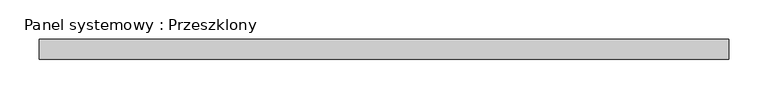
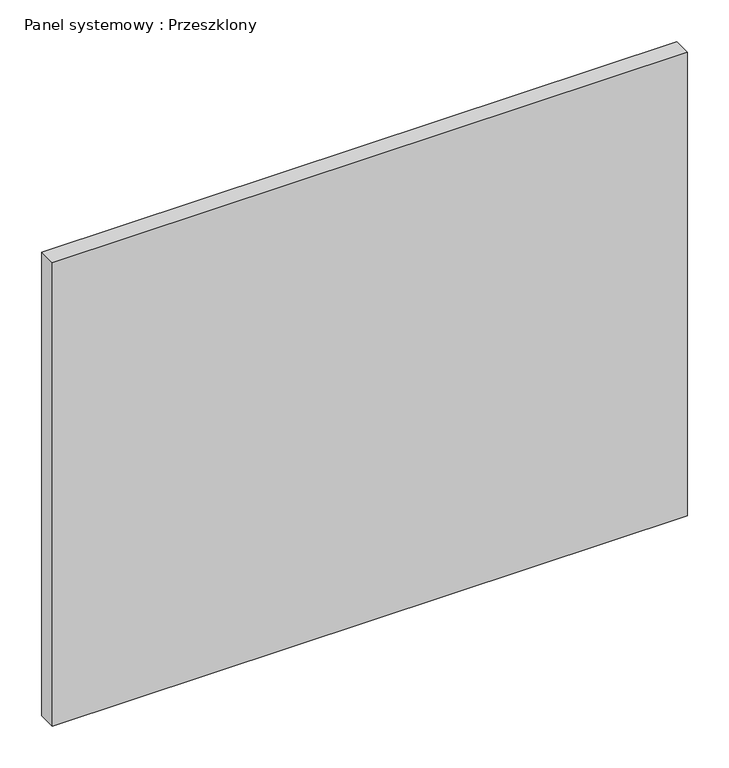
"""IFC4 building model written with IfcOpenShell, lengths in millimetres: plate geometry, Panel systemowy : Przeszklony."""

from ifc_helpers import new_model, si_unit, origin, origin_with_axes, place, context, project, spatial, polyline, outline, extrude, source, transform, mapped, element, save


def panel_systemowy_przeszklony_d1d4f79a(model_context):
    return source(origin(), model_context, "Body", "SweptSolid", [
        extrude(outline(polyline([(437.5, 24.5), (-437.5, 24.5), (-437.5, 49.5), (437.5, 49.5), (437.5, 24.5)])), origin_with_axes(), (0.0, 0.0, 1.0), 675.0),
    ])


if __name__ == "__main__":
    model = new_model("IFC4")
    model_context = context("Model", 3, world=origin())
    ifc_project = project(units=[si_unit("LENGTHUNIT", "METRE", prefix="MILLI")], contexts=[model_context])
    site = spatial("IfcSite", under=ifc_project)
    building = spatial("IfcBuilding", under=site)
    placement = place(None, origin())
    panel_systemowy_przeszklony_shape = panel_systemowy_przeszklony_d1d4f79a(model_context)
    element("IfcPlate", 1, ObjectType="Panel systemowy : Przeszklony", at=placement, inside=building, context=model_context, shape_type="MappedRepresentation", body=[
        mapped(panel_systemowy_przeszklony_shape, transform((0.0, 0.0, 0.0), x_axis=(1.0, 0.0, 0.0), y_axis=(0.0, 1.0, 0.0), z_axis=(0.0, 0.0, 1.0))),
    ])
    save(model, "model.ifc")
